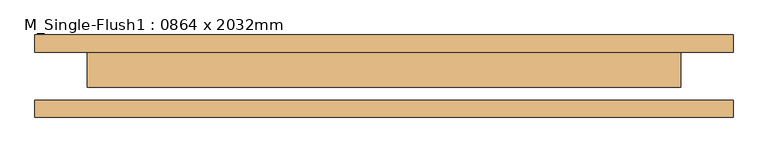
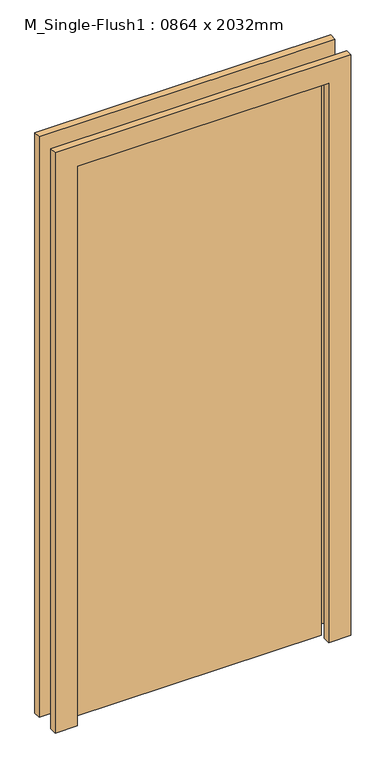
"""IFC4 building model written with IfcOpenShell, lengths in millimetres: door geometry, M_Single-Flush1 : 0864 x 2032mm."""

from ifc_helpers import new_model, si_unit, frame, origin, origin_with_axes, place, context, project, spatial, polyline, outline, extrude, source, transform, mapped, element, save


def m_single_flush1_0864_x_2032mm_15c6c85b(model_context):
    return source(origin(), model_context, "Body", "SweptSolid", [
        extrude(outline(polyline([(2108.0, -508.0), (0.0, -508.0), (0.0, -432.0), (2032.0, -432.0), (2032.0, 432.0), (0.0, 432.0), (0.0, 508.0), (2108.0, 508.0), (2108.0, -508.0)])), frame((0.0, 35.0, 0.0), z_axis=(0.0, 1.0, 0.0), x_axis=(0.0, 0.0, 1.0)), (0.0, 0.0, 1.0), 25.0),
        extrude(outline(polyline([(2108.0, 508.0), (2108.0, -508.0), (0.0, -508.0), (0.0, -432.0), (2032.0, -432.0), (2032.0, 432.0), (0.0, 432.0), (0.0, 508.0), (2108.0, 508.0)])), frame((0.0, -60.0, 0.0), z_axis=(0.0, 1.0, 0.0), x_axis=(0.0, 0.0, 1.0)), (0.0, 0.0, 1.0), 25.0),
        extrude(outline(polyline([(432.0, -16.0), (-432.0, -16.0), (-432.0, 35.0), (432.0, 35.0), (432.0, -16.0)])), origin_with_axes(), (0.0, 0.0, 1.0), 2032.0),
    ])


if __name__ == "__main__":
    model = new_model("IFC4")
    model_context = context("Model", 3, world=origin())
    ifc_project = project(units=[si_unit("LENGTHUNIT", "METRE", prefix="MILLI")], contexts=[model_context])
    site = spatial("IfcSite", under=ifc_project)
    building = spatial("IfcBuilding", under=site)
    placement = place(None, origin())
    m_single_flush1_0864_x_2032mm_shape = m_single_flush1_0864_x_2032mm_15c6c85b(model_context)
    element("IfcDoor", 1, ObjectType="M_Single-Flush1 : 0864 x 2032mm", at=placement, inside=building, context=model_context, shape_type="MappedRepresentation", body=[
        mapped(m_single_flush1_0864_x_2032mm_shape, transform((0.0, 0.0, 0.0), x_axis=(1.0, 0.0, 0.0), y_axis=(0.0, 1.0, 0.0), z_axis=(0.0, 0.0, 1.0))),
    ])
    save(model, "model.ifc")
